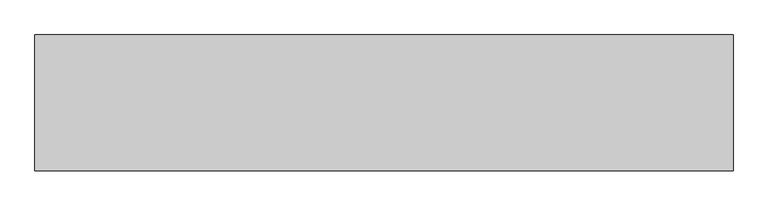
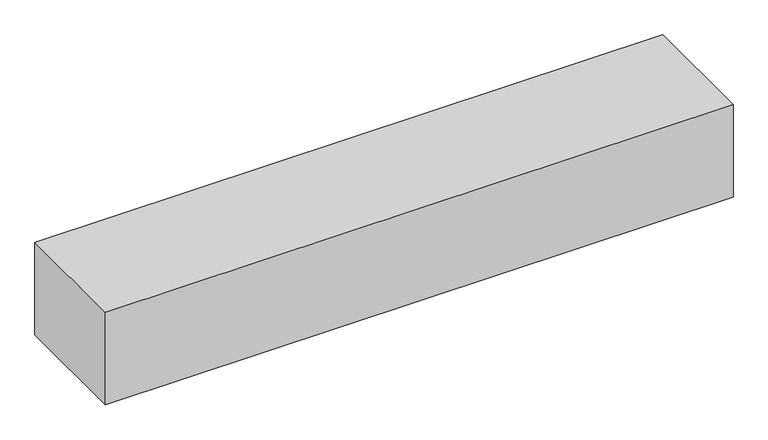
"""IFC4 building model written with IfcOpenShell, lengths in millimetres: geographic element geometry."""

from ifc_helpers import new_model, si_unit, origin, origin_with_axes, place, context, project, spatial, polyline, outline, extrude, source, transform, mapped, element, save


def geographic_element_0d73bef9(model_context):
    return source(origin(), model_context, "Body", "SweptSolid", [
        extrude(outline(polyline([(0.0, 0.0), (0.0, 500.0), (2570.161627, 500.0), (2570.161627, 0.0), (0.0, 0.0)])), origin_with_axes(), (0.0, 0.0, 1.0), 400.0),
    ])


if __name__ == "__main__":
    model = new_model("IFC4")
    model_context = context("Model", 3, world=origin())
    ifc_project = project(units=[si_unit("LENGTHUNIT", "METRE", prefix="MILLI")], contexts=[model_context])
    site = spatial("IfcSite", under=ifc_project)
    building = spatial("IfcBuilding", under=site)
    placement = place(None, origin())
    geographic_element_shape = geographic_element_0d73bef9(model_context)
    element("IfcGeographicElement", 1, at=placement, inside=building, context=model_context, shape_type="MappedRepresentation", body=[
        mapped(geographic_element_shape, transform((0.0, 0.0, 0.0), x_axis=(1.0, 0.0, 0.0), y_axis=(0.0, 1.0, 0.0), z_axis=(0.0, 0.0, 1.0))),
    ])
    save(model, "model.ifc")
